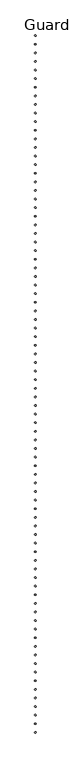
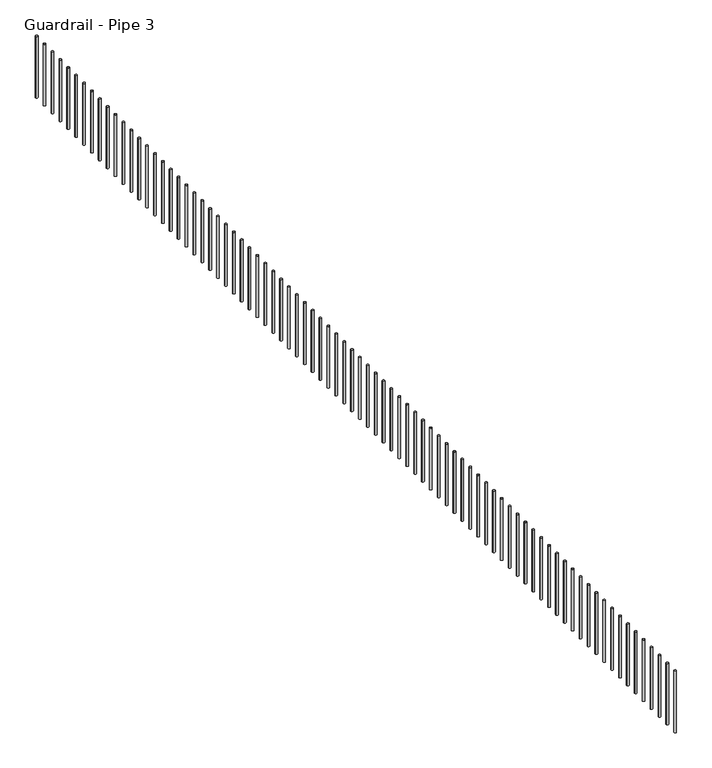
"""IFC4 building model written with IfcOpenShell, lengths in millimetres: railing geometry, Guardrail - Pipe 3."""

from ifc_helpers import new_model, si_unit, point, frame, frame_2d, origin, place, context, project, spatial, circle_curve, trimmed, segment, composite_curve, outline, extrude, source, transform, mapped, element, save


def guardrail_pipe_3_69f116ef(model_context):
    return source(origin(), model_context, "Body", "SweptSolid", [
        extrude(outline(composite_curve([segment(trimmed(circle_curve(frame_2d((239010.323562, -533817.1360133)), 12.7), [point((238997.623562, -533817.1360133))], [point((239023.023562, -533817.1360133))], False, "CARTESIAN"), True, "CONTINUOUS"), segment(trimmed(circle_curve(frame_2d((239010.323562, -533817.1360133)), 12.7), [point((239023.023562, -533817.1360133))], [point((238997.623562, -533817.1360133))], False, "CARTESIAN"), True, "CONTINUOUS")], self_intersect=False)), frame((0.0, 0.0, 4267.2), z_axis=(0.0, 0.0, 1.0), x_axis=(1.0, 0.0, 0.0)), (0.0, 0.0, 1.0), 723.9),
        extrude(outline(composite_curve([segment(trimmed(circle_curve(frame_2d((239010.323562, -533969.5360133)), 12.7), [point((238997.623562, -533969.5360133))], [point((239023.023562, -533969.5360133))], False, "CARTESIAN"), True, "CONTINUOUS"), segment(trimmed(circle_curve(frame_2d((239010.323562, -533969.5360133)), 12.7), [point((239023.023562, -533969.5360133))], [point((238997.623562, -533969.5360133))], False, "CARTESIAN"), True, "CONTINUOUS")], self_intersect=False)), frame((0.0, 0.0, 4267.2), z_axis=(0.0, 0.0, 1.0), x_axis=(1.0, 0.0, 0.0)), (0.0, 0.0, 1.0), 723.9),
        extrude(outline(composite_curve([segment(trimmed(circle_curve(frame_2d((239010.323562, -534121.9360133)), 12.7), [point((238997.623562, -534121.9360133))], [point((239023.023562, -534121.9360133))], False, "CARTESIAN"), True, "CONTINUOUS"), segment(trimmed(circle_curve(frame_2d((239010.323562, -534121.9360133)), 12.7), [point((239023.023562, -534121.9360133))], [point((238997.623562, -534121.9360133))], False, "CARTESIAN"), True, "CONTINUOUS")], self_intersect=False)), frame((0.0, 0.0, 4267.2), z_axis=(0.0, 0.0, 1.0), x_axis=(1.0, 0.0, 0.0)), (0.0, 0.0, 1.0), 723.9),
        extrude(outline(composite_curve([segment(trimmed(circle_curve(frame_2d((239010.323562, -534274.3360133)), 12.7), [point((238997.623562, -534274.3360133))], [point((239023.023562, -534274.3360133))], False, "CARTESIAN"), True, "CONTINUOUS"), segment(trimmed(circle_curve(frame_2d((239010.323562, -534274.3360133)), 12.7), [point((239023.023562, -534274.3360133))], [point((238997.623562, -534274.3360133))], False, "CARTESIAN"), True, "CONTINUOUS")], self_intersect=False)), frame((0.0, 0.0, 4267.2), z_axis=(0.0, 0.0, 1.0), x_axis=(1.0, 0.0, 0.0)), (0.0, 0.0, 1.0), 723.9),
        extrude(outline(composite_curve([segment(trimmed(circle_curve(frame_2d((239010.323562, -534426.7360133)), 12.7), [point((238997.623562, -534426.7360133))], [point((239023.023562, -534426.7360133))], False, "CARTESIAN"), True, "CONTINUOUS"), segment(trimmed(circle_curve(frame_2d((239010.323562, -534426.7360133)), 12.7), [point((239023.023562, -534426.7360133))], [point((238997.623562, -534426.7360133))], False, "CARTESIAN"), True, "CONTINUOUS")], self_intersect=False)), frame((0.0, 0.0, 4267.2), z_axis=(0.0, 0.0, 1.0), x_axis=(1.0, 0.0, 0.0)), (0.0, 0.0, 1.0), 723.9),
        extrude(outline(composite_curve([segment(trimmed(circle_curve(frame_2d((239010.323562, -534579.1360133)), 12.7), [point((238997.623562, -534579.1360133))], [point((239023.023562, -534579.1360133))], False, "CARTESIAN"), True, "CONTINUOUS"), segment(trimmed(circle_curve(frame_2d((239010.323562, -534579.1360133)), 12.7), [point((239023.023562, -534579.1360133))], [point((238997.623562, -534579.1360133))], False, "CARTESIAN"), True, "CONTINUOUS")], self_intersect=False)), frame((0.0, 0.0, 4267.2), z_axis=(0.0, 0.0, 1.0), x_axis=(1.0, 0.0, 0.0)), (0.0, 0.0, 1.0), 723.9),
        extrude(outline(composite_curve([segment(trimmed(circle_curve(frame_2d((239010.323562, -534731.5360133)), 12.7), [point((238997.623562, -534731.5360133))], [point((239023.023562, -534731.5360133))], False, "CARTESIAN"), True, "CONTINUOUS"), segment(trimmed(circle_curve(frame_2d((239010.323562, -534731.5360133)), 12.7), [point((239023.023562, -534731.5360133))], [point((238997.623562, -534731.5360133))], False, "CARTESIAN"), True, "CONTINUOUS")], self_intersect=False)), frame((0.0, 0.0, 4267.2), z_axis=(0.0, 0.0, 1.0), x_axis=(1.0, 0.0, 0.0)), (0.0, 0.0, 1.0), 723.9),
        extrude(outline(composite_curve([segment(trimmed(circle_curve(frame_2d((239010.323562, -534883.9360133)), 12.7), [point((238997.623562, -534883.9360133))], [point((239023.023562, -534883.9360133))], False, "CARTESIAN"), True, "CONTINUOUS"), segment(trimmed(circle_curve(frame_2d((239010.323562, -534883.9360133)), 12.7), [point((239023.023562, -534883.9360133))], [point((238997.623562, -534883.9360133))], False, "CARTESIAN"), True, "CONTINUOUS")], self_intersect=False)), frame((0.0, 0.0, 4267.2), z_axis=(0.0, 0.0, 1.0), x_axis=(1.0, 0.0, 0.0)), (0.0, 0.0, 1.0), 723.9),
        extrude(outline(composite_curve([segment(trimmed(circle_curve(frame_2d((239010.323562, -535036.3360133)), 12.7), [point((238997.623562, -535036.3360133))], [point((239023.023562, -535036.3360133))], False, "CARTESIAN"), True, "CONTINUOUS"), segment(trimmed(circle_curve(frame_2d((239010.323562, -535036.3360133)), 12.7), [point((239023.023562, -535036.3360133))], [point((238997.623562, -535036.3360133))], False, "CARTESIAN"), True, "CONTINUOUS")], self_intersect=False)), frame((0.0, 0.0, 4267.2), z_axis=(0.0, 0.0, 1.0), x_axis=(1.0, 0.0, 0.0)), (0.0, 0.0, 1.0), 723.9),
        extrude(outline(composite_curve([segment(trimmed(circle_curve(frame_2d((239010.323562, -535188.7360133)), 12.7), [point((238997.623562, -535188.7360133))], [point((239023.023562, -535188.7360133))], False, "CARTESIAN"), True, "CONTINUOUS"), segment(trimmed(circle_curve(frame_2d((239010.323562, -535188.7360133)), 12.7), [point((239023.023562, -535188.7360133))], [point((238997.623562, -535188.7360133))], False, "CARTESIAN"), True, "CONTINUOUS")], self_intersect=False)), frame((0.0, 0.0, 4267.2), z_axis=(0.0, 0.0, 1.0), x_axis=(1.0, 0.0, 0.0)), (0.0, 0.0, 1.0), 723.9),
        extrude(outline(composite_curve([segment(trimmed(circle_curve(frame_2d((239010.323562, -535341.1360133)), 12.7), [point((238997.623562, -535341.1360133))], [point((239023.023562, -535341.1360133))], False, "CARTESIAN"), True, "CONTINUOUS"), segment(trimmed(circle_curve(frame_2d((239010.323562, -535341.1360133)), 12.7), [point((239023.023562, -535341.1360133))], [point((238997.623562, -535341.1360133))], False, "CARTESIAN"), True, "CONTINUOUS")], self_intersect=False)), frame((0.0, 0.0, 4267.2), z_axis=(0.0, 0.0, 1.0), x_axis=(1.0, 0.0, 0.0)), (0.0, 0.0, 1.0), 723.9),
        extrude(outline(composite_curve([segment(trimmed(circle_curve(frame_2d((239010.323562, -535493.5360133)), 12.7), [point((238997.623562, -535493.5360133))], [point((239023.023562, -535493.5360133))], False, "CARTESIAN"), True, "CONTINUOUS"), segment(trimmed(circle_curve(frame_2d((239010.323562, -535493.5360133)), 12.7), [point((239023.023562, -535493.5360133))], [point((238997.623562, -535493.5360133))], False, "CARTESIAN"), True, "CONTINUOUS")], self_intersect=False)), frame((0.0, 0.0, 4267.2), z_axis=(0.0, 0.0, 1.0), x_axis=(1.0, 0.0, 0.0)), (0.0, 0.0, 1.0), 723.9),
        extrude(outline(composite_curve([segment(trimmed(circle_curve(frame_2d((239010.323562, -535645.9360133)), 12.7), [point((238997.623562, -535645.9360133))], [point((239023.023562, -535645.9360133))], False, "CARTESIAN"), True, "CONTINUOUS"), segment(trimmed(circle_curve(frame_2d((239010.323562, -535645.9360133)), 12.7), [point((239023.023562, -535645.9360133))], [point((238997.623562, -535645.9360133))], False, "CARTESIAN"), True, "CONTINUOUS")], self_intersect=False)), frame((0.0, 0.0, 4267.2), z_axis=(0.0, 0.0, 1.0), x_axis=(1.0, 0.0, 0.0)), (0.0, 0.0, 1.0), 723.9),
        extrude(outline(composite_curve([segment(trimmed(circle_curve(frame_2d((239010.323562, -535798.3360133)), 12.7), [point((238997.623562, -535798.3360133))], [point((239023.023562, -535798.3360133))], False, "CARTESIAN"), True, "CONTINUOUS"), segment(trimmed(circle_curve(frame_2d((239010.323562, -535798.3360133)), 12.7), [point((239023.023562, -535798.3360133))], [point((238997.623562, -535798.3360133))], False, "CARTESIAN"), True, "CONTINUOUS")], self_intersect=False)), frame((0.0, 0.0, 4267.2), z_axis=(0.0, 0.0, 1.0), x_axis=(1.0, 0.0, 0.0)), (0.0, 0.0, 1.0), 723.9),
        extrude(outline(composite_curve([segment(trimmed(circle_curve(frame_2d((239010.323562, -535950.7360133)), 12.7), [point((238997.623562, -535950.7360133))], [point((239023.023562, -535950.7360133))], False, "CARTESIAN"), True, "CONTINUOUS"), segment(trimmed(circle_curve(frame_2d((239010.323562, -535950.7360133)), 12.7), [point((239023.023562, -535950.7360133))], [point((238997.623562, -535950.7360133))], False, "CARTESIAN"), True, "CONTINUOUS")], self_intersect=False)), frame((0.0, 0.0, 4267.2), z_axis=(0.0, 0.0, 1.0), x_axis=(1.0, 0.0, 0.0)), (0.0, 0.0, 1.0), 723.9),
        extrude(outline(composite_curve([segment(trimmed(circle_curve(frame_2d((239010.323562, -536103.1360133)), 12.7), [point((238997.623562, -536103.1360133))], [point((239023.023562, -536103.1360133))], False, "CARTESIAN"), True, "CONTINUOUS"), segment(trimmed(circle_curve(frame_2d((239010.323562, -536103.1360133)), 12.7), [point((239023.023562, -536103.1360133))], [point((238997.623562, -536103.1360133))], False, "CARTESIAN"), True, "CONTINUOUS")], self_intersect=False)), frame((0.0, 0.0, 4267.2), z_axis=(0.0, 0.0, 1.0), x_axis=(1.0, 0.0, 0.0)), (0.0, 0.0, 1.0), 723.9),
        extrude(outline(composite_curve([segment(trimmed(circle_curve(frame_2d((239010.323562, -536255.5360133)), 12.7), [point((238997.623562, -536255.5360133))], [point((239023.023562, -536255.5360133))], False, "CARTESIAN"), True, "CONTINUOUS"), segment(trimmed(circle_curve(frame_2d((239010.323562, -536255.5360133)), 12.7), [point((239023.023562, -536255.5360133))], [point((238997.623562, -536255.5360133))], False, "CARTESIAN"), True, "CONTINUOUS")], self_intersect=False)), frame((0.0, 0.0, 4267.2), z_axis=(0.0, 0.0, 1.0), x_axis=(1.0, 0.0, 0.0)), (0.0, 0.0, 1.0), 723.9),
        extrude(outline(composite_curve([segment(trimmed(circle_curve(frame_2d((239010.323562, -536407.9360133)), 12.7), [point((238997.623562, -536407.9360133))], [point((239023.023562, -536407.9360133))], False, "CARTESIAN"), True, "CONTINUOUS"), segment(trimmed(circle_curve(frame_2d((239010.323562, -536407.9360133)), 12.7), [point((239023.023562, -536407.9360133))], [point((238997.623562, -536407.9360133))], False, "CARTESIAN"), True, "CONTINUOUS")], self_intersect=False)), frame((0.0, 0.0, 4267.2), z_axis=(0.0, 0.0, 1.0), x_axis=(1.0, 0.0, 0.0)), (0.0, 0.0, 1.0), 723.9),
        extrude(outline(composite_curve([segment(trimmed(circle_curve(frame_2d((239010.323562, -536560.3360133)), 12.7), [point((238997.623562, -536560.3360133))], [point((239023.023562, -536560.3360133))], False, "CARTESIAN"), True, "CONTINUOUS"), segment(trimmed(circle_curve(frame_2d((239010.323562, -536560.3360133)), 12.7), [point((239023.023562, -536560.3360133))], [point((238997.623562, -536560.3360133))], False, "CARTESIAN"), True, "CONTINUOUS")], self_intersect=False)), frame((0.0, 0.0, 4267.2), z_axis=(0.0, 0.0, 1.0), x_axis=(1.0, 0.0, 0.0)), (0.0, 0.0, 1.0), 723.9),
        extrude(outline(composite_curve([segment(trimmed(circle_curve(frame_2d((239010.323562, -536712.7360133)), 12.7), [point((238997.623562, -536712.7360133))], [point((239023.023562, -536712.7360133))], False, "CARTESIAN"), True, "CONTINUOUS"), segment(trimmed(circle_curve(frame_2d((239010.323562, -536712.7360133)), 12.7), [point((239023.023562, -536712.7360133))], [point((238997.623562, -536712.7360133))], False, "CARTESIAN"), True, "CONTINUOUS")], self_intersect=False)), frame((0.0, 0.0, 4267.2), z_axis=(0.0, 0.0, 1.0), x_axis=(1.0, 0.0, 0.0)), (0.0, 0.0, 1.0), 723.9),
        extrude(outline(composite_curve([segment(trimmed(circle_curve(frame_2d((239010.323562, -536865.1360133)), 12.7), [point((238997.623562, -536865.1360133))], [point((239023.023562, -536865.1360133))], False, "CARTESIAN"), True, "CONTINUOUS"), segment(trimmed(circle_curve(frame_2d((239010.323562, -536865.1360133)), 12.7), [point((239023.023562, -536865.1360133))], [point((238997.623562, -536865.1360133))], False, "CARTESIAN"), True, "CONTINUOUS")], self_intersect=False)), frame((0.0, 0.0, 4267.2), z_axis=(0.0, 0.0, 1.0), x_axis=(1.0, 0.0, 0.0)), (0.0, 0.0, 1.0), 723.9),
        extrude(outline(composite_curve([segment(trimmed(circle_curve(frame_2d((239010.323562, -537017.5360133)), 12.7), [point((238997.623562, -537017.5360133))], [point((239023.023562, -537017.5360133))], False, "CARTESIAN"), True, "CONTINUOUS"), segment(trimmed(circle_curve(frame_2d((239010.323562, -537017.5360133)), 12.7), [point((239023.023562, -537017.5360133))], [point((238997.623562, -537017.5360133))], False, "CARTESIAN"), True, "CONTINUOUS")], self_intersect=False)), frame((0.0, 0.0, 4267.2), z_axis=(0.0, 0.0, 1.0), x_axis=(1.0, 0.0, 0.0)), (0.0, 0.0, 1.0), 723.9),
        extrude(outline(composite_curve([segment(trimmed(circle_curve(frame_2d((239010.323562, -537169.9360133)), 12.7), [point((238997.623562, -537169.9360133))], [point((239023.023562, -537169.9360133))], False, "CARTESIAN"), True, "CONTINUOUS"), segment(trimmed(circle_curve(frame_2d((239010.323562, -537169.9360133)), 12.7), [point((239023.023562, -537169.9360133))], [point((238997.623562, -537169.9360133))], False, "CARTESIAN"), True, "CONTINUOUS")], self_intersect=False)), frame((0.0, 0.0, 4267.2), z_axis=(0.0, 0.0, 1.0), x_axis=(1.0, 0.0, 0.0)), (0.0, 0.0, 1.0), 723.9),
        extrude(outline(composite_curve([segment(trimmed(circle_curve(frame_2d((239010.323562, -537322.3360133)), 12.7), [point((238997.623562, -537322.3360133))], [point((239023.023562, -537322.3360133))], False, "CARTESIAN"), True, "CONTINUOUS"), segment(trimmed(circle_curve(frame_2d((239010.323562, -537322.3360133)), 12.7), [point((239023.023562, -537322.3360133))], [point((238997.623562, -537322.3360133))], False, "CARTESIAN"), True, "CONTINUOUS")], self_intersect=False)), frame((0.0, 0.0, 4267.2), z_axis=(0.0, 0.0, 1.0), x_axis=(1.0, 0.0, 0.0)), (0.0, 0.0, 1.0), 723.9),
        extrude(outline(composite_curve([segment(trimmed(circle_curve(frame_2d((239010.323562, -537474.7360133)), 12.7), [point((238997.623562, -537474.7360133))], [point((239023.023562, -537474.7360133))], False, "CARTESIAN"), True, "CONTINUOUS"), segment(trimmed(circle_curve(frame_2d((239010.323562, -537474.7360133)), 12.7), [point((239023.023562, -537474.7360133))], [point((238997.623562, -537474.7360133))], False, "CARTESIAN"), True, "CONTINUOUS")], self_intersect=False)), frame((0.0, 0.0, 4267.2), z_axis=(0.0, 0.0, 1.0), x_axis=(1.0, 0.0, 0.0)), (0.0, 0.0, 1.0), 723.9),
        extrude(outline(composite_curve([segment(trimmed(circle_curve(frame_2d((239010.323562, -537627.1360133)), 12.7), [point((238997.623562, -537627.1360133))], [point((239023.023562, -537627.1360133))], False, "CARTESIAN"), True, "CONTINUOUS"), segment(trimmed(circle_curve(frame_2d((239010.323562, -537627.1360133)), 12.7), [point((239023.023562, -537627.1360133))], [point((238997.623562, -537627.1360133))], False, "CARTESIAN"), True, "CONTINUOUS")], self_intersect=False)), frame((0.0, 0.0, 4267.2), z_axis=(0.0, 0.0, 1.0), x_axis=(1.0, 0.0, 0.0)), (0.0, 0.0, 1.0), 723.9),
        extrude(outline(composite_curve([segment(trimmed(circle_curve(frame_2d((239010.323562, -537779.5360133)), 12.7), [point((238997.623562, -537779.5360133))], [point((239023.023562, -537779.5360133))], False, "CARTESIAN"), True, "CONTINUOUS"), segment(trimmed(circle_curve(frame_2d((239010.323562, -537779.5360133)), 12.7), [point((239023.023562, -537779.5360133))], [point((238997.623562, -537779.5360133))], False, "CARTESIAN"), True, "CONTINUOUS")], self_intersect=False)), frame((0.0, 0.0, 4267.2), z_axis=(0.0, 0.0, 1.0), x_axis=(1.0, 0.0, 0.0)), (0.0, 0.0, 1.0), 723.9),
        extrude(outline(composite_curve([segment(trimmed(circle_curve(frame_2d((239010.323562, -537931.9360133)), 12.7), [point((238997.623562, -537931.9360133))], [point((239023.023562, -537931.9360133))], False, "CARTESIAN"), True, "CONTINUOUS"), segment(trimmed(circle_curve(frame_2d((239010.323562, -537931.9360133)), 12.7), [point((239023.023562, -537931.9360133))], [point((238997.623562, -537931.9360133))], False, "CARTESIAN"), True, "CONTINUOUS")], self_intersect=False)), frame((0.0, 0.0, 4267.2), z_axis=(0.0, 0.0, 1.0), x_axis=(1.0, 0.0, 0.0)), (0.0, 0.0, 1.0), 723.9),
        extrude(outline(composite_curve([segment(trimmed(circle_curve(frame_2d((239010.323562, -538084.3360133)), 12.7), [point((238997.623562, -538084.3360133))], [point((239023.023562, -538084.3360133))], False, "CARTESIAN"), True, "CONTINUOUS"), segment(trimmed(circle_curve(frame_2d((239010.323562, -538084.3360133)), 12.7), [point((239023.023562, -538084.3360133))], [point((238997.623562, -538084.3360133))], False, "CARTESIAN"), True, "CONTINUOUS")], self_intersect=False)), frame((0.0, 0.0, 4267.2), z_axis=(0.0, 0.0, 1.0), x_axis=(1.0, 0.0, 0.0)), (0.0, 0.0, 1.0), 723.9),
        extrude(outline(composite_curve([segment(trimmed(circle_curve(frame_2d((239010.323562, -538236.7360133)), 12.7), [point((238997.623562, -538236.7360133))], [point((239023.023562, -538236.7360133))], False, "CARTESIAN"), True, "CONTINUOUS"), segment(trimmed(circle_curve(frame_2d((239010.323562, -538236.7360133)), 12.7), [point((239023.023562, -538236.7360133))], [point((238997.623562, -538236.7360133))], False, "CARTESIAN"), True, "CONTINUOUS")], self_intersect=False)), frame((0.0, 0.0, 4267.2), z_axis=(0.0, 0.0, 1.0), x_axis=(1.0, 0.0, 0.0)), (0.0, 0.0, 1.0), 723.9),
        extrude(outline(composite_curve([segment(trimmed(circle_curve(frame_2d((239010.323562, -538389.1360133)), 12.7), [point((238997.623562, -538389.1360133))], [point((239023.023562, -538389.1360133))], False, "CARTESIAN"), True, "CONTINUOUS"), segment(trimmed(circle_curve(frame_2d((239010.323562, -538389.1360133)), 12.7), [point((239023.023562, -538389.1360133))], [point((238997.623562, -538389.1360133))], False, "CARTESIAN"), True, "CONTINUOUS")], self_intersect=False)), frame((0.0, 0.0, 4267.2), z_axis=(0.0, 0.0, 1.0), x_axis=(1.0, 0.0, 0.0)), (0.0, 0.0, 1.0), 723.9),
        extrude(outline(composite_curve([segment(trimmed(circle_curve(frame_2d((239010.323562, -538541.5360133)), 12.7), [point((238997.623562, -538541.5360133))], [point((239023.023562, -538541.5360133))], False, "CARTESIAN"), True, "CONTINUOUS"), segment(trimmed(circle_curve(frame_2d((239010.323562, -538541.5360133)), 12.7), [point((239023.023562, -538541.5360133))], [point((238997.623562, -538541.5360133))], False, "CARTESIAN"), True, "CONTINUOUS")], self_intersect=False)), frame((0.0, 0.0, 4267.2), z_axis=(0.0, 0.0, 1.0), x_axis=(1.0, 0.0, 0.0)), (0.0, 0.0, 1.0), 723.9),
        extrude(outline(composite_curve([segment(trimmed(circle_curve(frame_2d((239010.323562, -538693.9360133)), 12.7), [point((238997.623562, -538693.9360133))], [point((239023.023562, -538693.9360133))], False, "CARTESIAN"), True, "CONTINUOUS"), segment(trimmed(circle_curve(frame_2d((239010.323562, -538693.9360133)), 12.7), [point((239023.023562, -538693.9360133))], [point((238997.623562, -538693.9360133))], False, "CARTESIAN"), True, "CONTINUOUS")], self_intersect=False)), frame((0.0, 0.0, 4267.2), z_axis=(0.0, 0.0, 1.0), x_axis=(1.0, 0.0, 0.0)), (0.0, 0.0, 1.0), 723.9),
        extrude(outline(composite_curve([segment(trimmed(circle_curve(frame_2d((239010.323562, -538846.3360133)), 12.7), [point((238997.623562, -538846.3360133))], [point((239023.023562, -538846.3360133))], False, "CARTESIAN"), True, "CONTINUOUS"), segment(trimmed(circle_curve(frame_2d((239010.323562, -538846.3360133)), 12.7), [point((239023.023562, -538846.3360133))], [point((238997.623562, -538846.3360133))], False, "CARTESIAN"), True, "CONTINUOUS")], self_intersect=False)), frame((0.0, 0.0, 4267.2), z_axis=(0.0, 0.0, 1.0), x_axis=(1.0, 0.0, 0.0)), (0.0, 0.0, 1.0), 723.9),
        extrude(outline(composite_curve([segment(trimmed(circle_curve(frame_2d((239010.323562, -538998.7360133)), 12.7), [point((238997.623562, -538998.7360133))], [point((239023.023562, -538998.7360133))], False, "CARTESIAN"), True, "CONTINUOUS"), segment(trimmed(circle_curve(frame_2d((239010.323562, -538998.7360133)), 12.7), [point((239023.023562, -538998.7360133))], [point((238997.623562, -538998.7360133))], False, "CARTESIAN"), True, "CONTINUOUS")], self_intersect=False)), frame((0.0, 0.0, 4267.2), z_axis=(0.0, 0.0, 1.0), x_axis=(1.0, 0.0, 0.0)), (0.0, 0.0, 1.0), 723.9),
        extrude(outline(composite_curve([segment(trimmed(circle_curve(frame_2d((239010.323562, -539151.1360133)), 12.7), [point((238997.623562, -539151.1360133))], [point((239023.023562, -539151.1360133))], False, "CARTESIAN"), True, "CONTINUOUS"), segment(trimmed(circle_curve(frame_2d((239010.323562, -539151.1360133)), 12.7), [point((239023.023562, -539151.1360133))], [point((238997.623562, -539151.1360133))], False, "CARTESIAN"), True, "CONTINUOUS")], self_intersect=False)), frame((0.0, 0.0, 4267.2), z_axis=(0.0, 0.0, 1.0), x_axis=(1.0, 0.0, 0.0)), (0.0, 0.0, 1.0), 723.9),
        extrude(outline(composite_curve([segment(trimmed(circle_curve(frame_2d((239010.323562, -539303.5360133)), 12.7), [point((238997.623562, -539303.5360133))], [point((239023.023562, -539303.5360133))], False, "CARTESIAN"), True, "CONTINUOUS"), segment(trimmed(circle_curve(frame_2d((239010.323562, -539303.5360133)), 12.7), [point((239023.023562, -539303.5360133))], [point((238997.623562, -539303.5360133))], False, "CARTESIAN"), True, "CONTINUOUS")], self_intersect=False)), frame((0.0, 0.0, 4267.2), z_axis=(0.0, 0.0, 1.0), x_axis=(1.0, 0.0, 0.0)), (0.0, 0.0, 1.0), 723.9),
        extrude(outline(composite_curve([segment(trimmed(circle_curve(frame_2d((239010.323562, -539455.9360133)), 12.7), [point((238997.623562, -539455.9360133))], [point((239023.023562, -539455.9360133))], False, "CARTESIAN"), True, "CONTINUOUS"), segment(trimmed(circle_curve(frame_2d((239010.323562, -539455.9360133)), 12.7), [point((239023.023562, -539455.9360133))], [point((238997.623562, -539455.9360133))], False, "CARTESIAN"), True, "CONTINUOUS")], self_intersect=False)), frame((0.0, 0.0, 4267.2), z_axis=(0.0, 0.0, 1.0), x_axis=(1.0, 0.0, 0.0)), (0.0, 0.0, 1.0), 723.9),
        extrude(outline(composite_curve([segment(trimmed(circle_curve(frame_2d((239010.323562, -539608.3360133)), 12.7), [point((238997.623562, -539608.3360133))], [point((239023.023562, -539608.3360133))], False, "CARTESIAN"), True, "CONTINUOUS"), segment(trimmed(circle_curve(frame_2d((239010.323562, -539608.3360133)), 12.7), [point((239023.023562, -539608.3360133))], [point((238997.623562, -539608.3360133))], False, "CARTESIAN"), True, "CONTINUOUS")], self_intersect=False)), frame((0.0, 0.0, 4267.2), z_axis=(0.0, 0.0, 1.0), x_axis=(1.0, 0.0, 0.0)), (0.0, 0.0, 1.0), 723.9),
        extrude(outline(composite_curve([segment(trimmed(circle_curve(frame_2d((239010.323562, -539760.7360133)), 12.7), [point((238997.623562, -539760.7360133))], [point((239023.023562, -539760.7360133))], False, "CARTESIAN"), True, "CONTINUOUS"), segment(trimmed(circle_curve(frame_2d((239010.323562, -539760.7360133)), 12.7), [point((239023.023562, -539760.7360133))], [point((238997.623562, -539760.7360133))], False, "CARTESIAN"), True, "CONTINUOUS")], self_intersect=False)), frame((0.0, 0.0, 4267.2), z_axis=(0.0, 0.0, 1.0), x_axis=(1.0, 0.0, 0.0)), (0.0, 0.0, 1.0), 723.9),
        extrude(outline(composite_curve([segment(trimmed(circle_curve(frame_2d((239010.323562, -539913.1360133)), 12.7), [point((238997.623562, -539913.1360133))], [point((239023.023562, -539913.1360133))], False, "CARTESIAN"), True, "CONTINUOUS"), segment(trimmed(circle_curve(frame_2d((239010.323562, -539913.1360133)), 12.7), [point((239023.023562, -539913.1360133))], [point((238997.623562, -539913.1360133))], False, "CARTESIAN"), True, "CONTINUOUS")], self_intersect=False)), frame((0.0, 0.0, 4267.2), z_axis=(0.0, 0.0, 1.0), x_axis=(1.0, 0.0, 0.0)), (0.0, 0.0, 1.0), 723.9),
        extrude(outline(composite_curve([segment(trimmed(circle_curve(frame_2d((239010.323562, -540065.5360133)), 12.7), [point((238997.623562, -540065.5360133))], [point((239023.023562, -540065.5360133))], False, "CARTESIAN"), True, "CONTINUOUS"), segment(trimmed(circle_curve(frame_2d((239010.323562, -540065.5360133)), 12.7), [point((239023.023562, -540065.5360133))], [point((238997.623562, -540065.5360133))], False, "CARTESIAN"), True, "CONTINUOUS")], self_intersect=False)), frame((0.0, 0.0, 4267.2), z_axis=(0.0, 0.0, 1.0), x_axis=(1.0, 0.0, 0.0)), (0.0, 0.0, 1.0), 723.9),
        extrude(outline(composite_curve([segment(trimmed(circle_curve(frame_2d((239010.323562, -540217.9360133)), 12.7), [point((238997.623562, -540217.9360133))], [point((239023.023562, -540217.9360133))], False, "CARTESIAN"), True, "CONTINUOUS"), segment(trimmed(circle_curve(frame_2d((239010.323562, -540217.9360133)), 12.7), [point((239023.023562, -540217.9360133))], [point((238997.623562, -540217.9360133))], False, "CARTESIAN"), True, "CONTINUOUS")], self_intersect=False)), frame((0.0, 0.0, 4267.2), z_axis=(0.0, 0.0, 1.0), x_axis=(1.0, 0.0, 0.0)), (0.0, 0.0, 1.0), 723.9),
        extrude(outline(composite_curve([segment(trimmed(circle_curve(frame_2d((239010.323562, -540370.3360133)), 12.7), [point((238997.623562, -540370.3360133))], [point((239023.023562, -540370.3360133))], False, "CARTESIAN"), True, "CONTINUOUS"), segment(trimmed(circle_curve(frame_2d((239010.323562, -540370.3360133)), 12.7), [point((239023.023562, -540370.3360133))], [point((238997.623562, -540370.3360133))], False, "CARTESIAN"), True, "CONTINUOUS")], self_intersect=False)), frame((0.0, 0.0, 4267.2), z_axis=(0.0, 0.0, 1.0), x_axis=(1.0, 0.0, 0.0)), (0.0, 0.0, 1.0), 723.9),
        extrude(outline(composite_curve([segment(trimmed(circle_curve(frame_2d((239010.323562, -540522.7360133)), 12.7), [point((238997.623562, -540522.7360133))], [point((239023.023562, -540522.7360133))], False, "CARTESIAN"), True, "CONTINUOUS"), segment(trimmed(circle_curve(frame_2d((239010.323562, -540522.7360133)), 12.7), [point((239023.023562, -540522.7360133))], [point((238997.623562, -540522.7360133))], False, "CARTESIAN"), True, "CONTINUOUS")], self_intersect=False)), frame((0.0, 0.0, 4267.2), z_axis=(0.0, 0.0, 1.0), x_axis=(1.0, 0.0, 0.0)), (0.0, 0.0, 1.0), 723.9),
        extrude(outline(composite_curve([segment(trimmed(circle_curve(frame_2d((239010.323562, -540675.1360133)), 12.7), [point((238997.623562, -540675.1360133))], [point((239023.023562, -540675.1360133))], False, "CARTESIAN"), True, "CONTINUOUS"), segment(trimmed(circle_curve(frame_2d((239010.323562, -540675.1360133)), 12.7), [point((239023.023562, -540675.1360133))], [point((238997.623562, -540675.1360133))], False, "CARTESIAN"), True, "CONTINUOUS")], self_intersect=False)), frame((0.0, 0.0, 4267.2), z_axis=(0.0, 0.0, 1.0), x_axis=(1.0, 0.0, 0.0)), (0.0, 0.0, 1.0), 723.9),
        extrude(outline(composite_curve([segment(trimmed(circle_curve(frame_2d((239010.323562, -540827.5360133)), 12.7), [point((238997.623562, -540827.5360133))], [point((239023.023562, -540827.5360133))], False, "CARTESIAN"), True, "CONTINUOUS"), segment(trimmed(circle_curve(frame_2d((239010.323562, -540827.5360133)), 12.7), [point((239023.023562, -540827.5360133))], [point((238997.623562, -540827.5360133))], False, "CARTESIAN"), True, "CONTINUOUS")], self_intersect=False)), frame((0.0, 0.0, 4267.2), z_axis=(0.0, 0.0, 1.0), x_axis=(1.0, 0.0, 0.0)), (0.0, 0.0, 1.0), 723.9),
        extrude(outline(composite_curve([segment(trimmed(circle_curve(frame_2d((239010.323562, -540979.9360133)), 12.7), [point((238997.623562, -540979.9360133))], [point((239023.023562, -540979.9360133))], False, "CARTESIAN"), True, "CONTINUOUS"), segment(trimmed(circle_curve(frame_2d((239010.323562, -540979.9360133)), 12.7), [point((239023.023562, -540979.9360133))], [point((238997.623562, -540979.9360133))], False, "CARTESIAN"), True, "CONTINUOUS")], self_intersect=False)), frame((0.0, 0.0, 4267.2), z_axis=(0.0, 0.0, 1.0), x_axis=(1.0, 0.0, 0.0)), (0.0, 0.0, 1.0), 723.9),
        extrude(outline(composite_curve([segment(trimmed(circle_curve(frame_2d((239010.323562, -541132.3360133)), 12.7), [point((238997.623562, -541132.3360133))], [point((239023.023562, -541132.3360133))], False, "CARTESIAN"), True, "CONTINUOUS"), segment(trimmed(circle_curve(frame_2d((239010.323562, -541132.3360133)), 12.7), [point((239023.023562, -541132.3360133))], [point((238997.623562, -541132.3360133))], False, "CARTESIAN"), True, "CONTINUOUS")], self_intersect=False)), frame((0.0, 0.0, 4267.2), z_axis=(0.0, 0.0, 1.0), x_axis=(1.0, 0.0, 0.0)), (0.0, 0.0, 1.0), 723.9),
        extrude(outline(composite_curve([segment(trimmed(circle_curve(frame_2d((239010.323562, -541284.7360133)), 12.7), [point((238997.623562, -541284.7360133))], [point((239023.023562, -541284.7360133))], False, "CARTESIAN"), True, "CONTINUOUS"), segment(trimmed(circle_curve(frame_2d((239010.323562, -541284.7360133)), 12.7), [point((239023.023562, -541284.7360133))], [point((238997.623562, -541284.7360133))], False, "CARTESIAN"), True, "CONTINUOUS")], self_intersect=False)), frame((0.0, 0.0, 4267.2), z_axis=(0.0, 0.0, 1.0), x_axis=(1.0, 0.0, 0.0)), (0.0, 0.0, 1.0), 723.9),
        extrude(outline(composite_curve([segment(trimmed(circle_curve(frame_2d((239010.323562, -541437.1360133)), 12.7), [point((238997.623562, -541437.1360133))], [point((239023.023562, -541437.1360133))], False, "CARTESIAN"), True, "CONTINUOUS"), segment(trimmed(circle_curve(frame_2d((239010.323562, -541437.1360133)), 12.7), [point((239023.023562, -541437.1360133))], [point((238997.623562, -541437.1360133))], False, "CARTESIAN"), True, "CONTINUOUS")], self_intersect=False)), frame((0.0, 0.0, 4267.2), z_axis=(0.0, 0.0, 1.0), x_axis=(1.0, 0.0, 0.0)), (0.0, 0.0, 1.0), 723.9),
        extrude(outline(composite_curve([segment(trimmed(circle_curve(frame_2d((239010.323562, -541589.5360133)), 12.7), [point((238997.623562, -541589.5360133))], [point((239023.023562, -541589.5360133))], False, "CARTESIAN"), True, "CONTINUOUS"), segment(trimmed(circle_curve(frame_2d((239010.323562, -541589.5360133)), 12.7), [point((239023.023562, -541589.5360133))], [point((238997.623562, -541589.5360133))], False, "CARTESIAN"), True, "CONTINUOUS")], self_intersect=False)), frame((0.0, 0.0, 4267.2), z_axis=(0.0, 0.0, 1.0), x_axis=(1.0, 0.0, 0.0)), (0.0, 0.0, 1.0), 723.9),
        extrude(outline(composite_curve([segment(trimmed(circle_curve(frame_2d((239010.323562, -541741.9360133)), 12.7), [point((238997.623562, -541741.9360133))], [point((239023.023562, -541741.9360133))], False, "CARTESIAN"), True, "CONTINUOUS"), segment(trimmed(circle_curve(frame_2d((239010.323562, -541741.9360133)), 12.7), [point((239023.023562, -541741.9360133))], [point((238997.623562, -541741.9360133))], False, "CARTESIAN"), True, "CONTINUOUS")], self_intersect=False)), frame((0.0, 0.0, 4267.2), z_axis=(0.0, 0.0, 1.0), x_axis=(1.0, 0.0, 0.0)), (0.0, 0.0, 1.0), 723.9),
        extrude(outline(composite_curve([segment(trimmed(circle_curve(frame_2d((239010.323562, -541894.3360133)), 12.7), [point((238997.623562, -541894.3360133))], [point((239023.023562, -541894.3360133))], False, "CARTESIAN"), True, "CONTINUOUS"), segment(trimmed(circle_curve(frame_2d((239010.323562, -541894.3360133)), 12.7), [point((239023.023562, -541894.3360133))], [point((238997.623562, -541894.3360133))], False, "CARTESIAN"), True, "CONTINUOUS")], self_intersect=False)), frame((0.0, 0.0, 4267.2), z_axis=(0.0, 0.0, 1.0), x_axis=(1.0, 0.0, 0.0)), (0.0, 0.0, 1.0), 723.9),
        extrude(outline(composite_curve([segment(trimmed(circle_curve(frame_2d((239010.323562, -542046.7360133)), 12.7), [point((238997.623562, -542046.7360133))], [point((239023.023562, -542046.7360133))], False, "CARTESIAN"), True, "CONTINUOUS"), segment(trimmed(circle_curve(frame_2d((239010.323562, -542046.7360133)), 12.7), [point((239023.023562, -542046.7360133))], [point((238997.623562, -542046.7360133))], False, "CARTESIAN"), True, "CONTINUOUS")], self_intersect=False)), frame((0.0, 0.0, 4267.2), z_axis=(0.0, 0.0, 1.0), x_axis=(1.0, 0.0, 0.0)), (0.0, 0.0, 1.0), 723.9),
        extrude(outline(composite_curve([segment(trimmed(circle_curve(frame_2d((239010.323562, -542199.1360133)), 12.7), [point((238997.623562, -542199.1360133))], [point((239023.023562, -542199.1360133))], False, "CARTESIAN"), True, "CONTINUOUS"), segment(trimmed(circle_curve(frame_2d((239010.323562, -542199.1360133)), 12.7), [point((239023.023562, -542199.1360133))], [point((238997.623562, -542199.1360133))], False, "CARTESIAN"), True, "CONTINUOUS")], self_intersect=False)), frame((0.0, 0.0, 4267.2), z_axis=(0.0, 0.0, 1.0), x_axis=(1.0, 0.0, 0.0)), (0.0, 0.0, 1.0), 723.9),
        extrude(outline(composite_curve([segment(trimmed(circle_curve(frame_2d((239010.323562, -542351.5360133)), 12.7), [point((238997.623562, -542351.5360133))], [point((239023.023562, -542351.5360133))], False, "CARTESIAN"), True, "CONTINUOUS"), segment(trimmed(circle_curve(frame_2d((239010.323562, -542351.5360133)), 12.7), [point((239023.023562, -542351.5360133))], [point((238997.623562, -542351.5360133))], False, "CARTESIAN"), True, "CONTINUOUS")], self_intersect=False)), frame((0.0, 0.0, 4267.2), z_axis=(0.0, 0.0, 1.0), x_axis=(1.0, 0.0, 0.0)), (0.0, 0.0, 1.0), 723.9),
        extrude(outline(composite_curve([segment(trimmed(circle_curve(frame_2d((239010.323562, -542503.9360133)), 12.7), [point((238997.623562, -542503.9360133))], [point((239023.023562, -542503.9360133))], False, "CARTESIAN"), True, "CONTINUOUS"), segment(trimmed(circle_curve(frame_2d((239010.323562, -542503.9360133)), 12.7), [point((239023.023562, -542503.9360133))], [point((238997.623562, -542503.9360133))], False, "CARTESIAN"), True, "CONTINUOUS")], self_intersect=False)), frame((0.0, 0.0, 4267.2), z_axis=(0.0, 0.0, 1.0), x_axis=(1.0, 0.0, 0.0)), (0.0, 0.0, 1.0), 723.9),
        extrude(outline(composite_curve([segment(trimmed(circle_curve(frame_2d((239010.323562, -542656.3360133)), 12.7), [point((238997.623562, -542656.3360133))], [point((239023.023562, -542656.3360133))], False, "CARTESIAN"), True, "CONTINUOUS"), segment(trimmed(circle_curve(frame_2d((239010.323562, -542656.3360133)), 12.7), [point((239023.023562, -542656.3360133))], [point((238997.623562, -542656.3360133))], False, "CARTESIAN"), True, "CONTINUOUS")], self_intersect=False)), frame((0.0, 0.0, 4267.2), z_axis=(0.0, 0.0, 1.0), x_axis=(1.0, 0.0, 0.0)), (0.0, 0.0, 1.0), 723.9),
        extrude(outline(composite_curve([segment(trimmed(circle_curve(frame_2d((239010.323562, -542808.7360133)), 12.7), [point((238997.623562, -542808.7360133))], [point((239023.023562, -542808.7360133))], False, "CARTESIAN"), True, "CONTINUOUS"), segment(trimmed(circle_curve(frame_2d((239010.323562, -542808.7360133)), 12.7), [point((239023.023562, -542808.7360133))], [point((238997.623562, -542808.7360133))], False, "CARTESIAN"), True, "CONTINUOUS")], self_intersect=False)), frame((0.0, 0.0, 4267.2), z_axis=(0.0, 0.0, 1.0), x_axis=(1.0, 0.0, 0.0)), (0.0, 0.0, 1.0), 723.9),
        extrude(outline(composite_curve([segment(trimmed(circle_curve(frame_2d((239010.323562, -542961.1360133)), 12.7), [point((238997.623562, -542961.1360133))], [point((239023.023562, -542961.1360133))], False, "CARTESIAN"), True, "CONTINUOUS"), segment(trimmed(circle_curve(frame_2d((239010.323562, -542961.1360133)), 12.7), [point((239023.023562, -542961.1360133))], [point((238997.623562, -542961.1360133))], False, "CARTESIAN"), True, "CONTINUOUS")], self_intersect=False)), frame((0.0, 0.0, 4267.2), z_axis=(0.0, 0.0, 1.0), x_axis=(1.0, 0.0, 0.0)), (0.0, 0.0, 1.0), 723.9),
        extrude(outline(composite_curve([segment(trimmed(circle_curve(frame_2d((239010.323562, -543113.5360133)), 12.7), [point((238997.623562, -543113.5360133))], [point((239023.023562, -543113.5360133))], False, "CARTESIAN"), True, "CONTINUOUS"), segment(trimmed(circle_curve(frame_2d((239010.323562, -543113.5360133)), 12.7), [point((239023.023562, -543113.5360133))], [point((238997.623562, -543113.5360133))], False, "CARTESIAN"), True, "CONTINUOUS")], self_intersect=False)), frame((0.0, 0.0, 4267.2), z_axis=(0.0, 0.0, 1.0), x_axis=(1.0, 0.0, 0.0)), (0.0, 0.0, 1.0), 723.9),
        extrude(outline(composite_curve([segment(trimmed(circle_curve(frame_2d((239010.323562, -543265.9360133)), 12.7), [point((238997.623562, -543265.9360133))], [point((239023.023562, -543265.9360133))], False, "CARTESIAN"), True, "CONTINUOUS"), segment(trimmed(circle_curve(frame_2d((239010.323562, -543265.9360133)), 12.7), [point((239023.023562, -543265.9360133))], [point((238997.623562, -543265.9360133))], False, "CARTESIAN"), True, "CONTINUOUS")], self_intersect=False)), frame((0.0, 0.0, 4267.2), z_axis=(0.0, 0.0, 1.0), x_axis=(1.0, 0.0, 0.0)), (0.0, 0.0, 1.0), 723.9),
        extrude(outline(composite_curve([segment(trimmed(circle_curve(frame_2d((239010.323562, -543418.3360133)), 12.7), [point((238997.623562, -543418.3360133))], [point((239023.023562, -543418.3360133))], False, "CARTESIAN"), True, "CONTINUOUS"), segment(trimmed(circle_curve(frame_2d((239010.323562, -543418.3360133)), 12.7), [point((239023.023562, -543418.3360133))], [point((238997.623562, -543418.3360133))], False, "CARTESIAN"), True, "CONTINUOUS")], self_intersect=False)), frame((0.0, 0.0, 4267.2), z_axis=(0.0, 0.0, 1.0), x_axis=(1.0, 0.0, 0.0)), (0.0, 0.0, 1.0), 723.9),
        extrude(outline(composite_curve([segment(trimmed(circle_curve(frame_2d((239010.323562, -543570.7360133)), 12.7), [point((238997.623562, -543570.7360133))], [point((239023.023562, -543570.7360133))], False, "CARTESIAN"), True, "CONTINUOUS"), segment(trimmed(circle_curve(frame_2d((239010.323562, -543570.7360133)), 12.7), [point((239023.023562, -543570.7360133))], [point((238997.623562, -543570.7360133))], False, "CARTESIAN"), True, "CONTINUOUS")], self_intersect=False)), frame((0.0, 0.0, 4267.2), z_axis=(0.0, 0.0, 1.0), x_axis=(1.0, 0.0, 0.0)), (0.0, 0.0, 1.0), 723.9),
        extrude(outline(composite_curve([segment(trimmed(circle_curve(frame_2d((239010.323562, -543723.1360133)), 12.7), [point((238997.623562, -543723.1360133))], [point((239023.023562, -543723.1360133))], False, "CARTESIAN"), True, "CONTINUOUS"), segment(trimmed(circle_curve(frame_2d((239010.323562, -543723.1360133)), 12.7), [point((239023.023562, -543723.1360133))], [point((238997.623562, -543723.1360133))], False, "CARTESIAN"), True, "CONTINUOUS")], self_intersect=False)), frame((0.0, 0.0, 4267.2), z_axis=(0.0, 0.0, 1.0), x_axis=(1.0, 0.0, 0.0)), (0.0, 0.0, 1.0), 723.9),
        extrude(outline(composite_curve([segment(trimmed(circle_curve(frame_2d((239010.323562, -543875.5360133)), 12.7), [point((238997.623562, -543875.5360133))], [point((239023.023562, -543875.5360133))], False, "CARTESIAN"), True, "CONTINUOUS"), segment(trimmed(circle_curve(frame_2d((239010.323562, -543875.5360133)), 12.7), [point((239023.023562, -543875.5360133))], [point((238997.623562, -543875.5360133))], False, "CARTESIAN"), True, "CONTINUOUS")], self_intersect=False)), frame((0.0, 0.0, 4267.2), z_axis=(0.0, 0.0, 1.0), x_axis=(1.0, 0.0, 0.0)), (0.0, 0.0, 1.0), 723.9),
        extrude(outline(composite_curve([segment(trimmed(circle_curve(frame_2d((239010.323562, -544027.9360133)), 12.7), [point((238997.623562, -544027.9360133))], [point((239023.023562, -544027.9360133))], False, "CARTESIAN"), True, "CONTINUOUS"), segment(trimmed(circle_curve(frame_2d((239010.323562, -544027.9360133)), 12.7), [point((239023.023562, -544027.9360133))], [point((238997.623562, -544027.9360133))], False, "CARTESIAN"), True, "CONTINUOUS")], self_intersect=False)), frame((0.0, 0.0, 4267.2), z_axis=(0.0, 0.0, 1.0), x_axis=(1.0, 0.0, 0.0)), (0.0, 0.0, 1.0), 723.9),
        extrude(outline(composite_curve([segment(trimmed(circle_curve(frame_2d((239010.323562, -544180.3360133)), 12.7), [point((238997.623562, -544180.3360133))], [point((239023.023562, -544180.3360133))], False, "CARTESIAN"), True, "CONTINUOUS"), segment(trimmed(circle_curve(frame_2d((239010.323562, -544180.3360133)), 12.7), [point((239023.023562, -544180.3360133))], [point((238997.623562, -544180.3360133))], False, "CARTESIAN"), True, "CONTINUOUS")], self_intersect=False)), frame((0.0, 0.0, 4267.2), z_axis=(0.0, 0.0, 1.0), x_axis=(1.0, 0.0, 0.0)), (0.0, 0.0, 1.0), 723.9),
        extrude(outline(composite_curve([segment(trimmed(circle_curve(frame_2d((239010.323562, -544332.7360133)), 12.7), [point((238997.623562, -544332.7360133))], [point((239023.023562, -544332.7360133))], False, "CARTESIAN"), True, "CONTINUOUS"), segment(trimmed(circle_curve(frame_2d((239010.323562, -544332.7360133)), 12.7), [point((239023.023562, -544332.7360133))], [point((238997.623562, -544332.7360133))], False, "CARTESIAN"), True, "CONTINUOUS")], self_intersect=False)), frame((0.0, 0.0, 4267.2), z_axis=(0.0, 0.0, 1.0), x_axis=(1.0, 0.0, 0.0)), (0.0, 0.0, 1.0), 723.9),
        extrude(outline(composite_curve([segment(trimmed(circle_curve(frame_2d((239010.323562, -544485.1360133)), 12.7), [point((238997.623562, -544485.1360133))], [point((239023.023562, -544485.1360133))], False, "CARTESIAN"), True, "CONTINUOUS"), segment(trimmed(circle_curve(frame_2d((239010.323562, -544485.1360133)), 12.7), [point((239023.023562, -544485.1360133))], [point((238997.623562, -544485.1360133))], False, "CARTESIAN"), True, "CONTINUOUS")], self_intersect=False)), frame((0.0, 0.0, 4267.2), z_axis=(0.0, 0.0, 1.0), x_axis=(1.0, 0.0, 0.0)), (0.0, 0.0, 1.0), 723.9),
        extrude(outline(composite_curve([segment(trimmed(circle_curve(frame_2d((239010.323562, -544637.5360133)), 12.7), [point((238997.623562, -544637.5360133))], [point((239023.023562, -544637.5360133))], False, "CARTESIAN"), True, "CONTINUOUS"), segment(trimmed(circle_curve(frame_2d((239010.323562, -544637.5360133)), 12.7), [point((239023.023562, -544637.5360133))], [point((238997.623562, -544637.5360133))], False, "CARTESIAN"), True, "CONTINUOUS")], self_intersect=False)), frame((0.0, 0.0, 4267.2), z_axis=(0.0, 0.0, 1.0), x_axis=(1.0, 0.0, 0.0)), (0.0, 0.0, 1.0), 723.9),
        extrude(outline(composite_curve([segment(trimmed(circle_curve(frame_2d((239010.323562, -544789.9360133)), 12.7), [point((238997.623562, -544789.9360133))], [point((239023.023562, -544789.9360133))], False, "CARTESIAN"), True, "CONTINUOUS"), segment(trimmed(circle_curve(frame_2d((239010.323562, -544789.9360133)), 12.7), [point((239023.023562, -544789.9360133))], [point((238997.623562, -544789.9360133))], False, "CARTESIAN"), True, "CONTINUOUS")], self_intersect=False)), frame((0.0, 0.0, 4267.2), z_axis=(0.0, 0.0, 1.0), x_axis=(1.0, 0.0, 0.0)), (0.0, 0.0, 1.0), 723.9),
        extrude(outline(composite_curve([segment(trimmed(circle_curve(frame_2d((239010.323562, -544942.3360133)), 12.7), [point((238997.623562, -544942.3360133))], [point((239023.023562, -544942.3360133))], False, "CARTESIAN"), True, "CONTINUOUS"), segment(trimmed(circle_curve(frame_2d((239010.323562, -544942.3360133)), 12.7), [point((239023.023562, -544942.3360133))], [point((238997.623562, -544942.3360133))], False, "CARTESIAN"), True, "CONTINUOUS")], self_intersect=False)), frame((0.0, 0.0, 4267.2), z_axis=(0.0, 0.0, 1.0), x_axis=(1.0, 0.0, 0.0)), (0.0, 0.0, 1.0), 723.9),
        extrude(outline(composite_curve([segment(trimmed(circle_curve(frame_2d((239010.323562, -545094.7360133)), 12.7), [point((238997.623562, -545094.7360133))], [point((239023.023562, -545094.7360133))], False, "CARTESIAN"), True, "CONTINUOUS"), segment(trimmed(circle_curve(frame_2d((239010.323562, -545094.7360133)), 12.7), [point((239023.023562, -545094.7360133))], [point((238997.623562, -545094.7360133))], False, "CARTESIAN"), True, "CONTINUOUS")], self_intersect=False)), frame((0.0, 0.0, 4267.2), z_axis=(0.0, 0.0, 1.0), x_axis=(1.0, 0.0, 0.0)), (0.0, 0.0, 1.0), 723.9),
        extrude(outline(composite_curve([segment(trimmed(circle_curve(frame_2d((239010.323562, -545247.1360133)), 12.7), [point((238997.623562, -545247.1360133))], [point((239023.023562, -545247.1360133))], False, "CARTESIAN"), True, "CONTINUOUS"), segment(trimmed(circle_curve(frame_2d((239010.323562, -545247.1360133)), 12.7), [point((239023.023562, -545247.1360133))], [point((238997.623562, -545247.1360133))], False, "CARTESIAN"), True, "CONTINUOUS")], self_intersect=False)), frame((0.0, 0.0, 4267.2), z_axis=(0.0, 0.0, 1.0), x_axis=(1.0, 0.0, 0.0)), (0.0, 0.0, 1.0), 723.9),
        extrude(outline(composite_curve([segment(trimmed(circle_curve(frame_2d((239010.323562, -545399.5360133)), 12.7), [point((238997.623562, -545399.5360133))], [point((239023.023562, -545399.5360133))], False, "CARTESIAN"), True, "CONTINUOUS"), segment(trimmed(circle_curve(frame_2d((239010.323562, -545399.5360133)), 12.7), [point((239023.023562, -545399.5360133))], [point((238997.623562, -545399.5360133))], False, "CARTESIAN"), True, "CONTINUOUS")], self_intersect=False)), frame((0.0, 0.0, 4267.2), z_axis=(0.0, 0.0, 1.0), x_axis=(1.0, 0.0, 0.0)), (0.0, 0.0, 1.0), 723.9),
        extrude(outline(composite_curve([segment(trimmed(circle_curve(frame_2d((239010.323562, -545551.9360133)), 12.7), [point((238997.623562, -545551.9360133))], [point((239023.023562, -545551.9360133))], False, "CARTESIAN"), True, "CONTINUOUS"), segment(trimmed(circle_curve(frame_2d((239010.323562, -545551.9360133)), 12.7), [point((239023.023562, -545551.9360133))], [point((238997.623562, -545551.9360133))], False, "CARTESIAN"), True, "CONTINUOUS")], self_intersect=False)), frame((0.0, 0.0, 4267.2), z_axis=(0.0, 0.0, 1.0), x_axis=(1.0, 0.0, 0.0)), (0.0, 0.0, 1.0), 723.9),
        extrude(outline(composite_curve([segment(trimmed(circle_curve(frame_2d((239010.323562, -545704.3360133)), 12.7), [point((238997.623562, -545704.3360133))], [point((239023.023562, -545704.3360133))], False, "CARTESIAN"), True, "CONTINUOUS"), segment(trimmed(circle_curve(frame_2d((239010.323562, -545704.3360133)), 12.7), [point((239023.023562, -545704.3360133))], [point((238997.623562, -545704.3360133))], False, "CARTESIAN"), True, "CONTINUOUS")], self_intersect=False)), frame((0.0, 0.0, 4267.2), z_axis=(0.0, 0.0, 1.0), x_axis=(1.0, 0.0, 0.0)), (0.0, 0.0, 1.0), 723.9),
        extrude(outline(composite_curve([segment(trimmed(circle_curve(frame_2d((239010.323562, -545856.7360133)), 12.7), [point((238997.623562, -545856.7360133))], [point((239023.023562, -545856.7360133))], False, "CARTESIAN"), True, "CONTINUOUS"), segment(trimmed(circle_curve(frame_2d((239010.323562, -545856.7360133)), 12.7), [point((239023.023562, -545856.7360133))], [point((238997.623562, -545856.7360133))], False, "CARTESIAN"), True, "CONTINUOUS")], self_intersect=False)), frame((0.0, 0.0, 4267.2), z_axis=(0.0, 0.0, 1.0), x_axis=(1.0, 0.0, 0.0)), (0.0, 0.0, 1.0), 723.9),
        extrude(outline(composite_curve([segment(trimmed(circle_curve(frame_2d((239010.323562, -546009.1360133)), 12.7), [point((238997.623562, -546009.1360133))], [point((239023.023562, -546009.1360133))], False, "CARTESIAN"), True, "CONTINUOUS"), segment(trimmed(circle_curve(frame_2d((239010.323562, -546009.1360133)), 12.7), [point((239023.023562, -546009.1360133))], [point((238997.623562, -546009.1360133))], False, "CARTESIAN"), True, "CONTINUOUS")], self_intersect=False)), frame((0.0, 0.0, 4267.2), z_axis=(0.0, 0.0, 1.0), x_axis=(1.0, 0.0, 0.0)), (0.0, 0.0, 1.0), 723.9),
        extrude(outline(composite_curve([segment(trimmed(circle_curve(frame_2d((239010.323562, -546161.5360133)), 12.7), [point((238997.623562, -546161.5360133))], [point((239023.023562, -546161.5360133))], False, "CARTESIAN"), True, "CONTINUOUS"), segment(trimmed(circle_curve(frame_2d((239010.323562, -546161.5360133)), 12.7), [point((239023.023562, -546161.5360133))], [point((238997.623562, -546161.5360133))], False, "CARTESIAN"), True, "CONTINUOUS")], self_intersect=False)), frame((0.0, 0.0, 4267.2), z_axis=(0.0, 0.0, 1.0), x_axis=(1.0, 0.0, 0.0)), (0.0, 0.0, 1.0), 723.9),
    ])


if __name__ == "__main__":
    model = new_model("IFC4")
    model_context = context("Model", 3, world=origin())
    ifc_project = project(units=[si_unit("LENGTHUNIT", "METRE", prefix="MILLI")], contexts=[model_context])
    site = spatial("IfcSite", under=ifc_project)
    building = spatial("IfcBuilding", under=site)
    placement = place(None, origin())
    guardrail_pipe_3_shape = guardrail_pipe_3_69f116ef(model_context)
    element("IfcRailing", 1, ObjectType="Guardrail - Pipe 3", at=placement, inside=building, context=model_context, shape_type="MappedRepresentation", body=[
        mapped(guardrail_pipe_3_shape, transform((0.0, 0.0, 0.0), x_axis=(1.0, 0.0, 0.0), y_axis=(0.0, 1.0, 0.0), z_axis=(0.0, 0.0, 1.0))),
    ])
    save(model, "model.ifc")
